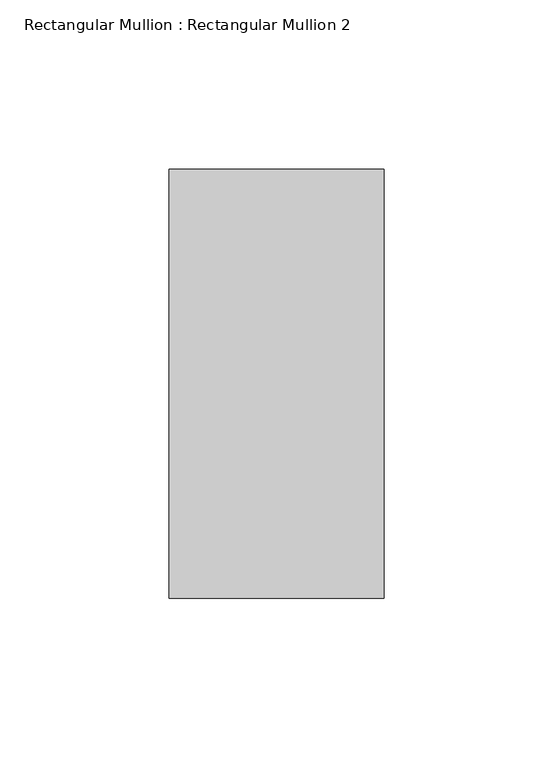
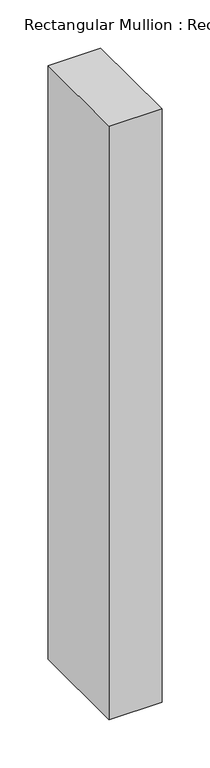
"""IFC4 building model written with IfcOpenShell, lengths in millimetres: member geometry, Rectangular Mullion : Rectangular Mullion 2."""

import ifcopenshell
import ifcopenshell.guid

model = None  # the IFC model being written
_history = None  # IfcOwnerHistory: only IFC2X3 demands one
_inside = {}  # id of a spatial element -> (the spatial element, [elements in it])
_under = {}  # id of a project, library or spatial element -> (it, [spatial elements below it])
_declared = {}  # id of a project -> (the project, [libraries it declares])
_typed = {}  # id of a type object -> (the type object, [elements of that type])
_made_of = {}  # id of a material, layer set ... -> (it, [elements and type objects made of it])


def new_model(schema):
    """Start an empty IFC model of exactly this schema.

    Asked for "IFC4X3", IfcOpenShell would pick the latest addendum, in which some entities
    have other attributes; the version numbers below select the first issue.
    IFC2X3 requires an IfcOwnerHistory on every rooted entity: one is made here for all.
    """
    global model, _history
    if schema == "IFC4X3":
        model = ifcopenshell.file(schema_version=(4, 3, 0, 0))
    else:
        model = ifcopenshell.file(schema=schema)
    _inside.clear()
    _under.clear()
    _declared.clear()
    _typed.clear()
    _made_of.clear()
    _history = None
    if model.schema == "IFC2X3":
        org = make("IfcOrganization", Name="unknown")
        user = make(
            "IfcPersonAndOrganization",
            ThePerson=make("IfcPerson", FamilyName="unknown"),
            TheOrganization=org,
        )
        app = make(
            "IfcApplication",
            ApplicationDeveloper=org,
            Version="unknown",
            ApplicationFullName="unknown",
            ApplicationIdentifier="unknown",
        )
        _history = make(
            "IfcOwnerHistory",
            OwningUser=user,
            OwningApplication=app,
            ChangeAction="ADDED",
            CreationDate=0,
        )
    return model


def make(cls, **values):
    """One entity of the class cls with the attributes given. An attribute that is None is left unset."""
    return model.create_entity(
        cls, **{name: value for name, value in values.items() if value is not None}
    )


def rooted(cls, **values):
    """An entity with a GlobalId (a new one), such as an element, a storey or a relation."""
    return make(cls, GlobalId=ifcopenshell.guid.new(), OwnerHistory=_history, **values)


def si_unit(unit_type, name, prefix=None):
    """IfcSIUnit, for example si_unit("LENGTHUNIT", "METRE", prefix="MILLI")."""
    return make("IfcSIUnit", UnitType=unit_type, Prefix=prefix, Name=name)


def assignment(units):
    """IfcUnitAssignment: the units of a project."""
    return None if units is None else make("IfcUnitAssignment", Units=units)


def point(xyz):
    """IfcCartesianPoint."""
    return None if xyz is None else make("IfcCartesianPoint", Coordinates=xyz)


def direction(xyz):
    """IfcDirection."""
    return None if xyz is None else make("IfcDirection", DirectionRatios=xyz)


def frame(location, z_axis=None, x_axis=None):
    """IfcAxis2Placement3D, a coordinate frame: its origin and axes. An axis left out is left unset."""
    return make(
        "IfcAxis2Placement3D",
        Location=point(location),
        Axis=direction(z_axis),
        RefDirection=direction(x_axis),
    )


def origin():
    """The frame at (0, 0, 0) with its axes left unset."""
    return frame((0.0, 0.0, 0.0))


def place(relative_to, where):
    """IfcLocalPlacement: puts the frame where relative to a parent placement (None: the world)."""
    return make(
        "IfcLocalPlacement", PlacementRelTo=relative_to, RelativePlacement=where
    )


def context(
    kind, dimensions, precision=None, world=None, true_north=None, identifier=None
):
    """IfcGeometricRepresentationContext, for example the 3D "Model" context."""
    return make(
        "IfcGeometricRepresentationContext",
        ContextIdentifier=identifier,
        ContextType=kind,
        CoordinateSpaceDimension=dimensions,
        Precision=precision,
        WorldCoordinateSystem=world,
        TrueNorth=true_north,
    )


def project(units=None, contexts=None):
    """IfcProject with its units and contexts."""
    return rooted(
        "IfcProject",
        Name="project",
        RepresentationContexts=contexts,
        UnitsInContext=assignment(units),
    )


def spatial(cls, under=None, at=None, **own):
    """A site, building, storey or space (cls), placed at a placement, below another one or the project."""
    s = rooted(cls, ObjectPlacement=at, **own)
    if under is not None:
        _under.setdefault(under.id(), (under, []))[1].append(s)
    return s


def polyline(points):
    """IfcPolyline through the points."""
    return make("IfcPolyline", Points=[point(p) for p in points])


def outline(outer, holes=None, kind="AREA"):
    """IfcArbitraryClosedProfileDef: a profile drawn as a closed curve; with holes, ...WithVoids."""
    if holes is None:
        return make("IfcArbitraryClosedProfileDef", ProfileType=kind, OuterCurve=outer)
    return make(
        "IfcArbitraryProfileDefWithVoids",
        ProfileType=kind,
        OuterCurve=outer,
        InnerCurves=holes,
    )


def extrude(swept, where, along, depth):
    """IfcExtrudedAreaSolid: the profile swept, set in the frame where, extruded along a direction by depth."""
    return make(
        "IfcExtrudedAreaSolid",
        SweptArea=swept,
        Position=where,
        ExtrudedDirection=direction(along),
        Depth=depth,
    )


def shape(context_of_items, identifier, shape_type, items):
    """IfcShapeRepresentation: the items that make up one representation, for example the "Body"."""
    return make(
        "IfcShapeRepresentation",
        ContextOfItems=context_of_items,
        RepresentationIdentifier=identifier,
        RepresentationType=shape_type,
        Items=items,
    )


def source(mapping_origin, context_of_items, identifier, shape_type, items):
    """IfcRepresentationMap: a shape defined once, which mapped items show again and again."""
    return make(
        "IfcRepresentationMap",
        MappingOrigin=mapping_origin,
        MappedRepresentation=shape(context_of_items, identifier, shape_type, items),
    )


def transform(
    local_origin,
    x_axis=None,
    y_axis=None,
    z_axis=None,
    scale=None,
    scale2=None,
    scale3=None,
    uniform=True,
):
    """IfcCartesianTransformationOperator3D, or its non-uniform kind. x_axis, y_axis, z_axis: its Axis1, 2, 3."""
    if uniform:
        return make(
            "IfcCartesianTransformationOperator3D",
            Axis1=direction(x_axis),
            Axis2=direction(y_axis),
            LocalOrigin=point(local_origin),
            Scale=scale,
            Axis3=direction(z_axis),
        )
    return make(
        "IfcCartesianTransformationOperator3DnonUniform",
        Axis1=direction(x_axis),
        Axis2=direction(y_axis),
        LocalOrigin=point(local_origin),
        Scale=scale,
        Axis3=direction(z_axis),
        Scale2=scale2,
        Scale3=scale3,
    )


def mapped(mapping_source, mapping_target):
    """IfcMappedItem: shows the shape of a source again, moved by a transform."""
    return make(
        "IfcMappedItem", MappingSource=mapping_source, MappingTarget=mapping_target
    )


def made_of(thing, what):
    """Note that an element or type object is made of a material, layer set ...; save() writes the relation."""
    if what is not None:
        _made_of.setdefault(what.id(), (what, []))[1].append(thing)
    return thing


def element(
    cls,
    number,
    at=None,
    inside=None,
    cuts=None,
    type_object=None,
    material=None,
    context=None,
    identifier="Body",
    shape_type=None,
    held_by="IfcProductDefinitionShape",
    body=None,
    shapes=None,
    **own,
):
    """One element of the class cls, such as IfcWall. Its Tag is "e" and its number.

    at: its placement. inside: the storey or other place that contains it. cuts: it is an
    opening in that element (IfcRelVoidsElement). A single representation is given by context,
    identifier, shape_type and body (its items); several are given by shapes. held_by: the class
    of the entity that holds the representations. save() writes the other relations.
    """
    e = rooted(cls, Tag="e%d" % number, ObjectPlacement=at, **own)
    if body is not None:
        shapes = [shape(context, identifier, shape_type, body)]
    if shapes is not None:
        e.Representation = make(held_by, Representations=shapes)
    if inside is not None:
        _inside.setdefault(inside.id(), (inside, []))[1].append(e)
    if cuts is not None:
        rooted(
            "IfcRelVoidsElement", RelatingBuildingElement=cuts, RelatedOpeningElement=e
        )
    if type_object is not None:
        _typed.setdefault(type_object.id(), (type_object, []))[1].append(e)
    return made_of(e, material)


def aggregate(whole, parts):
    """IfcRelAggregates: a whole, such as a stair, and the parts it consists of."""
    return rooted("IfcRelAggregates", RelatingObject=whole, RelatedObjects=parts)


def save(model, path):
    """Write the relations noted so far, then the file.

    IfcRelAggregates (storeys below a building ...), IfcRelContainedInSpatialStructure (elements
    in a storey), IfcRelDefinesByType, IfcRelAssociatesMaterial and IfcRelDeclares: one each for
    every whole, place, type object, material and project.
    """
    for whole, parts in _under.values():
        aggregate(whole, parts)
    for where, things in _inside.values():
        rooted(
            "IfcRelContainedInSpatialStructure",
            RelatedElements=things,
            RelatingStructure=where,
        )
    for kind, things in _typed.values():
        rooted("IfcRelDefinesByType", RelatedObjects=things, RelatingType=kind)
    for what, things in _made_of.values():
        rooted("IfcRelAssociatesMaterial", RelatedObjects=things, RelatingMaterial=what)
    for by, libraries in _declared.values():
        rooted("IfcRelDeclares", RelatingContext=by, RelatedDefinitions=libraries)
    model.write(path)


def rectangular_mullion_rectangular_mullion_2_9fac6293(model_context):
    return source(origin(), model_context, "Body", "SweptSolid", [
        extrude(outline(polyline([(31.8, 188.5), (31.8, 61.5), (-31.8, 61.5), (-31.8, 188.5), (31.8, 188.5)])), frame((0.0, 0.0, -754.2), z_axis=(0.0, 0.0, 1.0), x_axis=(1.0, 0.0, 0.0)), (0.0, 0.0, 1.0), 754.2),
    ])


if __name__ == "__main__":
    model = new_model("IFC4")
    model_context = context("Model", 3, world=origin())
    ifc_project = project(units=[si_unit("LENGTHUNIT", "METRE", prefix="MILLI")], contexts=[model_context])
    site = spatial("IfcSite", under=ifc_project)
    building = spatial("IfcBuilding", under=site)
    placement = place(None, origin())
    rectangular_mullion_rectangular_mullion_2_shape = rectangular_mullion_rectangular_mullion_2_9fac6293(model_context)
    element("IfcMember", 1, ObjectType="Rectangular Mullion : Rectangular Mullion 2", at=placement, inside=building, context=model_context, shape_type="MappedRepresentation", body=[
        mapped(rectangular_mullion_rectangular_mullion_2_shape, transform((0.0, 0.0, 0.0), x_axis=(1.0, 0.0, 0.0), y_axis=(0.0, 1.0, 0.0), z_axis=(0.0, 0.0, 1.0))),
    ])
    save(model, "model.ifc")
